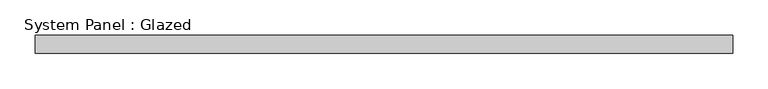
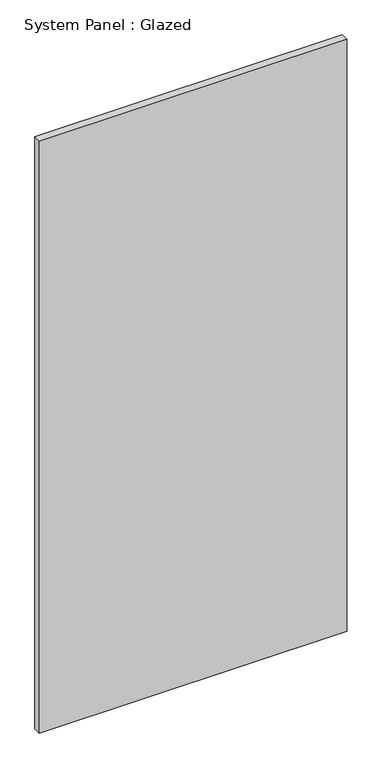
"""IFC4 building model written with IfcOpenShell, lengths in millimetres: plate geometry, System Panel : Glazed."""

from ifc_helpers import new_model, si_unit, origin, origin_with_axes, place, context, project, spatial, polyline, outline, extrude, source, transform, mapped, element, save


def system_panel_glazed_107ff1fb(model_context):
    return source(origin(), model_context, "Body", "SweptSolid", [
        extrude(outline(polyline([(491.4804583, 24.5), (-491.4804583, 24.5), (-491.4804583, 49.5), (491.4804583, 49.5), (491.4804583, 24.5)])), origin_with_axes(), (0.0, 0.0, 1.0), 2000.0),
    ])


if __name__ == "__main__":
    model = new_model("IFC4")
    model_context = context("Model", 3, world=origin())
    ifc_project = project(units=[si_unit("LENGTHUNIT", "METRE", prefix="MILLI")], contexts=[model_context])
    site = spatial("IfcSite", under=ifc_project)
    building = spatial("IfcBuilding", under=site)
    placement = place(None, origin())
    system_panel_glazed_shape = system_panel_glazed_107ff1fb(model_context)
    element("IfcPlate", 1, ObjectType="System Panel : Glazed", at=placement, inside=building, context=model_context, shape_type="MappedRepresentation", body=[
        mapped(system_panel_glazed_shape, transform((0.0, 0.0, 0.0), x_axis=(1.0, 0.0, 0.0), y_axis=(0.0, 1.0, 0.0), z_axis=(0.0, 0.0, 1.0))),
    ])
    save(model, "model.ifc")
